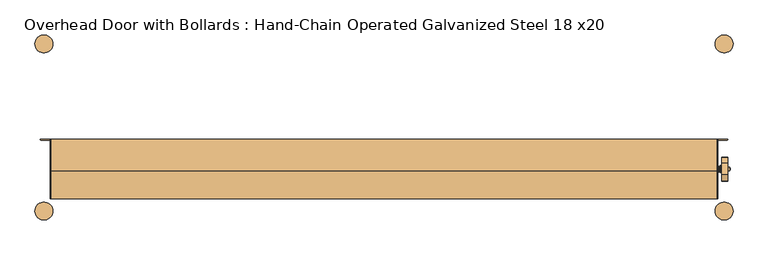
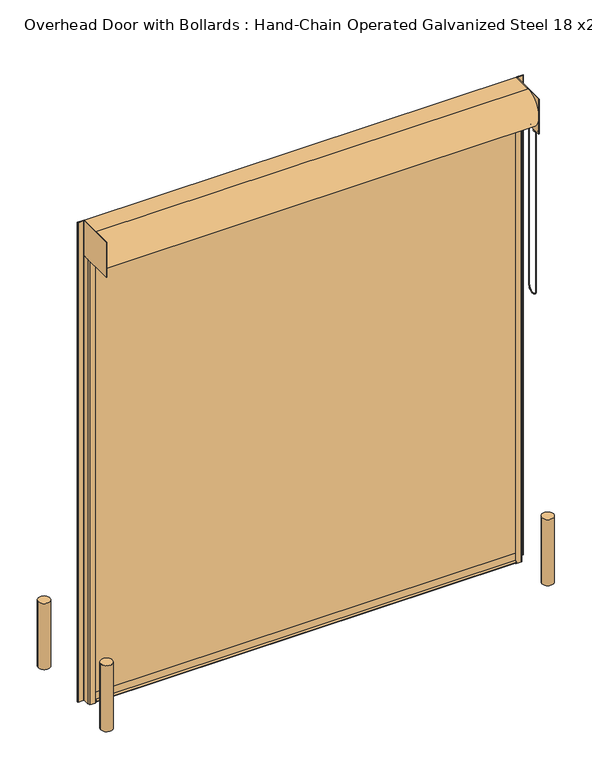
"""IFC4 building model written with IfcOpenShell, lengths in millimetres: door geometry, Overhead Door with Bollards : Hand-Chain Operated Galvanized Steel 18 x20."""

import ifcopenshell
import ifcopenshell.guid

model = None  # the IFC model being written
_history = None  # IfcOwnerHistory: only IFC2X3 demands one
_inside = {}  # id of a spatial element -> (the spatial element, [elements in it])
_under = {}  # id of a project, library or spatial element -> (it, [spatial elements below it])
_declared = {}  # id of a project -> (the project, [libraries it declares])
_typed = {}  # id of a type object -> (the type object, [elements of that type])
_made_of = {}  # id of a material, layer set ... -> (it, [elements and type objects made of it])


def new_model(schema):
    """Start an empty IFC model of exactly this schema.

    Asked for "IFC4X3", IfcOpenShell would pick the latest addendum, in which some entities
    have other attributes; the version numbers below select the first issue.
    IFC2X3 requires an IfcOwnerHistory on every rooted entity: one is made here for all.
    """
    global model, _history
    if schema == "IFC4X3":
        model = ifcopenshell.file(schema_version=(4, 3, 0, 0))
    else:
        model = ifcopenshell.file(schema=schema)
    _inside.clear()
    _under.clear()
    _declared.clear()
    _typed.clear()
    _made_of.clear()
    _history = None
    if model.schema == "IFC2X3":
        org = make("IfcOrganization", Name="unknown")
        user = make(
            "IfcPersonAndOrganization",
            ThePerson=make("IfcPerson", FamilyName="unknown"),
            TheOrganization=org,
        )
        app = make(
            "IfcApplication",
            ApplicationDeveloper=org,
            Version="unknown",
            ApplicationFullName="unknown",
            ApplicationIdentifier="unknown",
        )
        _history = make(
            "IfcOwnerHistory",
            OwningUser=user,
            OwningApplication=app,
            ChangeAction="ADDED",
            CreationDate=0,
        )
    return model


def make(cls, **values):
    """One entity of the class cls with the attributes given. An attribute that is None is left unset."""
    return model.create_entity(
        cls, **{name: value for name, value in values.items() if value is not None}
    )


def rooted(cls, **values):
    """An entity with a GlobalId (a new one), such as an element, a storey or a relation."""
    return make(cls, GlobalId=ifcopenshell.guid.new(), OwnerHistory=_history, **values)


def si_unit(unit_type, name, prefix=None):
    """IfcSIUnit, for example si_unit("LENGTHUNIT", "METRE", prefix="MILLI")."""
    return make("IfcSIUnit", UnitType=unit_type, Prefix=prefix, Name=name)


def assignment(units):
    """IfcUnitAssignment: the units of a project."""
    return None if units is None else make("IfcUnitAssignment", Units=units)


def point(xyz):
    """IfcCartesianPoint."""
    return None if xyz is None else make("IfcCartesianPoint", Coordinates=xyz)


def direction(xyz):
    """IfcDirection."""
    return None if xyz is None else make("IfcDirection", DirectionRatios=xyz)


def frame(location, z_axis=None, x_axis=None):
    """IfcAxis2Placement3D, a coordinate frame: its origin and axes. An axis left out is left unset."""
    return make(
        "IfcAxis2Placement3D",
        Location=point(location),
        Axis=direction(z_axis),
        RefDirection=direction(x_axis),
    )


def frame_2d(location, x_axis=None):
    """IfcAxis2Placement2D, a coordinate frame in the plane: its origin and x axis."""
    return make(
        "IfcAxis2Placement2D", Location=point(location), RefDirection=direction(x_axis)
    )


def origin():
    """The frame at (0, 0, 0) with its axes left unset."""
    return frame((0.0, 0.0, 0.0))


def origin_with_axes():
    """The frame at (0, 0, 0) with the z axis (0, 0, 1) and the x axis (1, 0, 0) written out."""
    return frame((0.0, 0.0, 0.0), z_axis=(0.0, 0.0, 1.0), x_axis=(1.0, 0.0, 0.0))


def place(relative_to, where):
    """IfcLocalPlacement: puts the frame where relative to a parent placement (None: the world)."""
    return make(
        "IfcLocalPlacement", PlacementRelTo=relative_to, RelativePlacement=where
    )


def context(
    kind, dimensions, precision=None, world=None, true_north=None, identifier=None
):
    """IfcGeometricRepresentationContext, for example the 3D "Model" context."""
    return make(
        "IfcGeometricRepresentationContext",
        ContextIdentifier=identifier,
        ContextType=kind,
        CoordinateSpaceDimension=dimensions,
        Precision=precision,
        WorldCoordinateSystem=world,
        TrueNorth=true_north,
    )


def project(units=None, contexts=None):
    """IfcProject with its units and contexts."""
    return rooted(
        "IfcProject",
        Name="project",
        RepresentationContexts=contexts,
        UnitsInContext=assignment(units),
    )


def spatial(cls, under=None, at=None, **own):
    """A site, building, storey or space (cls), placed at a placement, below another one or the project."""
    s = rooted(cls, ObjectPlacement=at, **own)
    if under is not None:
        _under.setdefault(under.id(), (under, []))[1].append(s)
    return s


def polyline(points):
    """IfcPolyline through the points."""
    return make("IfcPolyline", Points=[point(p) for p in points])


def circle_curve(where, radius):
    """IfcCircle in the frame where."""
    return make("IfcCircle", Position=where, Radius=radius)


def ellipse_curve(where, semi_axis1, semi_axis2):
    """IfcEllipse in the frame where."""
    return make(
        "IfcEllipse", Position=where, SemiAxis1=semi_axis1, SemiAxis2=semi_axis2
    )


def trimmed(basis, trim1, trim2, sense, master):
    """IfcTrimmedCurve: the piece of a basis curve between two trims."""
    return make(
        "IfcTrimmedCurve",
        BasisCurve=basis,
        Trim1=trim1,
        Trim2=trim2,
        SenseAgreement=sense,
        MasterRepresentation=master,
    )


def segment(curve, same_sense, transition):
    """IfcCompositeCurveSegment."""
    return make(
        "IfcCompositeCurveSegment",
        Transition=transition,
        SameSense=same_sense,
        ParentCurve=curve,
    )


def composite_curve(segments, self_intersect=None):
    """IfcCompositeCurve: segments joined end to end."""
    return make("IfcCompositeCurve", Segments=segments, SelfIntersect=self_intersect)


def outline(outer, holes=None, kind="AREA"):
    """IfcArbitraryClosedProfileDef: a profile drawn as a closed curve; with holes, ...WithVoids."""
    if holes is None:
        return make("IfcArbitraryClosedProfileDef", ProfileType=kind, OuterCurve=outer)
    return make(
        "IfcArbitraryProfileDefWithVoids",
        ProfileType=kind,
        OuterCurve=outer,
        InnerCurves=holes,
    )


def extrude(swept, where, along, depth):
    """IfcExtrudedAreaSolid: the profile swept, set in the frame where, extruded along a direction by depth."""
    return make(
        "IfcExtrudedAreaSolid",
        SweptArea=swept,
        Position=where,
        ExtrudedDirection=direction(along),
        Depth=depth,
    )


def shape(context_of_items, identifier, shape_type, items):
    """IfcShapeRepresentation: the items that make up one representation, for example the "Body"."""
    return make(
        "IfcShapeRepresentation",
        ContextOfItems=context_of_items,
        RepresentationIdentifier=identifier,
        RepresentationType=shape_type,
        Items=items,
    )


def source(mapping_origin, context_of_items, identifier, shape_type, items):
    """IfcRepresentationMap: a shape defined once, which mapped items show again and again."""
    return make(
        "IfcRepresentationMap",
        MappingOrigin=mapping_origin,
        MappedRepresentation=shape(context_of_items, identifier, shape_type, items),
    )


def transform(
    local_origin,
    x_axis=None,
    y_axis=None,
    z_axis=None,
    scale=None,
    scale2=None,
    scale3=None,
    uniform=True,
):
    """IfcCartesianTransformationOperator3D, or its non-uniform kind. x_axis, y_axis, z_axis: its Axis1, 2, 3."""
    if uniform:
        return make(
            "IfcCartesianTransformationOperator3D",
            Axis1=direction(x_axis),
            Axis2=direction(y_axis),
            LocalOrigin=point(local_origin),
            Scale=scale,
            Axis3=direction(z_axis),
        )
    return make(
        "IfcCartesianTransformationOperator3DnonUniform",
        Axis1=direction(x_axis),
        Axis2=direction(y_axis),
        LocalOrigin=point(local_origin),
        Scale=scale,
        Axis3=direction(z_axis),
        Scale2=scale2,
        Scale3=scale3,
    )


def mapped(mapping_source, mapping_target):
    """IfcMappedItem: shows the shape of a source again, moved by a transform."""
    return make(
        "IfcMappedItem", MappingSource=mapping_source, MappingTarget=mapping_target
    )


def made_of(thing, what):
    """Note that an element or type object is made of a material, layer set ...; save() writes the relation."""
    if what is not None:
        _made_of.setdefault(what.id(), (what, []))[1].append(thing)
    return thing


def element(
    cls,
    number,
    at=None,
    inside=None,
    cuts=None,
    type_object=None,
    material=None,
    context=None,
    identifier="Body",
    shape_type=None,
    held_by="IfcProductDefinitionShape",
    body=None,
    shapes=None,
    **own,
):
    """One element of the class cls, such as IfcWall. Its Tag is "e" and its number.

    at: its placement. inside: the storey or other place that contains it. cuts: it is an
    opening in that element (IfcRelVoidsElement). A single representation is given by context,
    identifier, shape_type and body (its items); several are given by shapes. held_by: the class
    of the entity that holds the representations. save() writes the other relations.
    """
    e = rooted(cls, Tag="e%d" % number, ObjectPlacement=at, **own)
    if body is not None:
        shapes = [shape(context, identifier, shape_type, body)]
    if shapes is not None:
        e.Representation = make(held_by, Representations=shapes)
    if inside is not None:
        _inside.setdefault(inside.id(), (inside, []))[1].append(e)
    if cuts is not None:
        rooted(
            "IfcRelVoidsElement", RelatingBuildingElement=cuts, RelatedOpeningElement=e
        )
    if type_object is not None:
        _typed.setdefault(type_object.id(), (type_object, []))[1].append(e)
    return made_of(e, material)


def aggregate(whole, parts):
    """IfcRelAggregates: a whole, such as a stair, and the parts it consists of."""
    return rooted("IfcRelAggregates", RelatingObject=whole, RelatedObjects=parts)


def save(model, path):
    """Write the relations noted so far, then the file.

    IfcRelAggregates (storeys below a building ...), IfcRelContainedInSpatialStructure (elements
    in a storey), IfcRelDefinesByType, IfcRelAssociatesMaterial and IfcRelDeclares: one each for
    every whole, place, type object, material and project.
    """
    for whole, parts in _under.values():
        aggregate(whole, parts)
    for where, things in _inside.values():
        rooted(
            "IfcRelContainedInSpatialStructure",
            RelatedElements=things,
            RelatingStructure=where,
        )
    for kind, things in _typed.values():
        rooted("IfcRelDefinesByType", RelatedObjects=things, RelatingType=kind)
    for what, things in _made_of.values():
        rooted("IfcRelAssociatesMaterial", RelatedObjects=things, RelatingMaterial=what)
    for by, libraries in _declared.values():
        rooted("IfcRelDeclares", RelatingContext=by, RelatedDefinitions=libraries)
    model.write(path)


def plane_surface(at):
    """IfcPlane: the flat surface through the origin of the frame at, square to its z axis."""
    return make("IfcPlane", Position=at)


def cylinder_surface(at, radius):
    """IfcCylindricalSurface: all points at the distance radius from the z axis of the frame at."""
    return make("IfcCylindricalSurface", Position=at, Radius=radius)


def revolved_surface(curve, axis_point, axis_direction):
    """IfcSurfaceOfRevolution: the curve turned about the line through axis_point along axis_direction."""
    return make(
        "IfcSurfaceOfRevolution",
        SweptCurve=make("IfcArbitraryOpenProfileDef", ProfileType="CURVE", Curve=curve),
        AxisPosition=make("IfcAxis1Placement", Location=point(axis_point), Axis=direction(axis_direction)),
    )


def advanced_brep(points, edges, surfaces, faces):
    """IfcAdvancedBrep: a solid bounded by faces that lie on surfaces and meet in shared edges.

    An edge is (start, end): straight between two places in points (the first is 0);
    or (start, end, curve); or (start, end, curve, False) where it runs against its curve.
    A face is (place in surfaces, loops), or (place, loops, False) where it looks against
    its surface's normal. A loop lists edges by number (the first is 1), with a minus sign
    where the edge is run from its end to its start. The first loop is the outer one.
    """
    corners = [point(p) for p in points]
    vertices = [make("IfcVertexPoint", VertexGeometry=c) for c in corners]
    made = []
    for start, end, *more in edges:
        made.append(
            make(
                "IfcEdgeCurve",
                EdgeStart=vertices[start],
                EdgeEnd=vertices[end],
                EdgeGeometry=more[0] if more else make("IfcPolyline", Points=[corners[start], corners[end]]),
                SameSense=more[1] if len(more) > 1 else True,
            )
        )
    hull = []
    for where, loops, *sense in faces:
        bounds = []
        for j, loop in enumerate(loops):
            ring = [make("IfcOrientedEdge", EdgeElement=made[abs(k) - 1], Orientation=k > 0) for k in loop]
            bounds.append(
                make(
                    "IfcFaceOuterBound" if j == 0 else "IfcFaceBound",
                    Bound=make("IfcEdgeLoop", EdgeList=ring),
                    Orientation=True,
                )
            )
        hull.append(make("IfcAdvancedFace", Bounds=bounds, FaceSurface=surfaces[where], SameSense=sense[0] if sense else True))
    return make("IfcAdvancedBrep", Outer=make("IfcClosedShell", CfsFaces=hull))


def overhead_door_with_bollards_hand_chain_operated_galvanized_9ecf1b39(model_context):
    return source(origin(), model_context, "Body", "SolidModel", [
        extrude(outline(composite_curve([segment(trimmed(circle_curve(frame_2d((-1981.2, -711.2)), 76.2), [point((-2057.4, -711.2))], [point((-1905.0, -711.2))], False, "CARTESIAN"), True, "CONTINUOUS"), segment(trimmed(circle_curve(frame_2d((-1981.2, -711.2)), 76.2), [point((-1905.0, -711.2))], [point((-2057.4, -711.2))], False, "CARTESIAN"), True, "CONTINUOUS")], self_intersect=False)), origin_with_axes(), (0.0, 0.0, 1.0), 914.4),
        extrude(outline(composite_curve([segment(trimmed(circle_curve(frame_2d((3810.0, -711.2)), 76.2), [point((3733.8, -711.2))], [point((3886.2, -711.2))], False, "CARTESIAN"), True, "CONTINUOUS"), segment(trimmed(circle_curve(frame_2d((3810.0, -711.2)), 76.2), [point((3886.2, -711.2))], [point((3733.8, -711.2))], False, "CARTESIAN"), True, "CONTINUOUS")], self_intersect=False)), origin_with_axes(), (0.0, 0.0, 1.0), 914.4),
        extrude(outline(composite_curve([segment(trimmed(circle_curve(frame_2d((3810.0, 711.2)), 76.2), [point((3886.2, 711.2))], [point((3733.8, 711.2))], False, "CARTESIAN"), True, "CONTINUOUS"), segment(trimmed(circle_curve(frame_2d((3810.0, 711.2)), 76.2), [point((3733.8, 711.2))], [point((3886.2, 711.2))], False, "CARTESIAN"), True, "CONTINUOUS")], self_intersect=False)), origin_with_axes(), (0.0, 0.0, 1.0), 914.4),
        extrude(outline(composite_curve([segment(trimmed(circle_curve(frame_2d((-1981.2, 711.2)), 76.2), [point((-2057.4, 711.2))], [point((-1905.0, 711.2))], False, "CARTESIAN"), True, "CONTINUOUS"), segment(trimmed(circle_curve(frame_2d((-1981.2, 711.2)), 76.2), [point((-1905.0, 711.2))], [point((-2057.4, 711.2))], False, "CARTESIAN"), True, "CONTINUOUS")], self_intersect=False)), origin_with_axes(), (0.0, 0.0, 1.0), 914.4),
        extrude(outline(polyline([(-1928.8252, -609.6), (-1928.8252, -101.6), (-1922.4752, -101.6), (-1922.4752, -609.6), (-1928.8252, -609.6)])), frame((0.0, 0.0, 6172.2), z_axis=(0.0, 0.0, 1.0), x_axis=(1.0, 0.0, 0.0)), (0.0, 0.0, 1.0), 482.6),
        advanced_brep(
        [(3841.8309604, -405.1483399, 6281.6469387), (3841.8309604, -452.4375, 6158.4544649), (3841.8309604, -452.4375, 6103.6877303), (3841.8309604, -456.5066884, 6093.7069784), (3841.8309604, -454.7997, 6089.65), (3841.8309604, -415.1249, 6089.65), (3841.8309604, -413.4179116, 6093.7069784), (3841.8309604, -417.4871, 6103.6877303), (3841.8309604, -417.4871, 6108.7), (3841.8309604, -404.7871, 6121.4), (3841.8309604, -395.6352267, 6121.4), (3841.8309604, -315.5647733, 6121.4), (3841.8309604, -306.4129, 6121.4), (3841.8309604, -293.9479873, 6106.267727), (3841.8309604, -297.7820884, 6093.7069784), (3841.8309604, -296.0751, 6089.65), (3841.8309604, -256.4003, 6089.65), (3841.8309604, -254.6933116, 6093.7069784), (3841.8309604, -258.7625, 6103.6877303), (3841.8309604, -258.7625, 6156.6891105), (3841.8309604, -259.3951464, 6160.1025652), (3841.8309604, -306.0516601, 6281.6469387), (3841.8309604, -339.725, 6200.775), (3841.8309604, -371.475, 6200.775), (3791.0309604, -405.1483399, 6281.6469387), (3791.0309604, -306.0516601, 6281.6469387), (3791.0309604, -259.3951464, 6160.1025652), (3791.0309604, -258.7625, 6156.6891105), (3791.0309604, -258.7625, 6103.6877303), (3791.0309604, -254.6933116, 6093.7069784), (3791.0309604, -256.4003, 6089.65), (3791.0309604, -296.0751, 6089.65), (3791.0309604, -297.7820884, 6093.7069784), (3791.0309604, -293.9479873, 6106.267727), (3791.0309604, -306.4129, 6121.4), (3791.0309604, -315.5647733, 6121.4), (3791.0309604, -395.6352267, 6121.4), (3791.0309604, -404.7871, 6121.4), (3791.0309604, -417.4871, 6108.7), (3791.0309604, -417.4871, 6103.6877303), (3791.0309604, -413.4179116, 6093.7069784), (3791.0309604, -415.1249, 6089.65), (3791.0309604, -454.7997, 6089.65), (3791.0309604, -456.5066884, 6093.7069784), (3791.0309604, -452.4375, 6103.6877303), (3791.0309604, -452.4375, 6158.4544649), (3791.0309604, -355.6, 6220.3965), (3791.0309604, -355.6, 6182.2965), (3856.1184604, -371.475, 6200.775), (3856.1184604, -339.725, 6200.775), (3856.1184604, -355.6, 6191.8215), (3856.1184604, -355.6, 6210.8715), (3862.3875, -355.6, 6194.9965), (3862.3875, -355.6, 6207.6965), (3859.2125, -355.6, 6210.8715), (3859.2125, -355.6, 6191.8215), (3862.3875, -355.6, 6201.3465), (3757.6125, -355.6, 6175.9465), (3757.6125, -355.6, 6226.7465), (3757.6125, -355.6, 6201.3465), (3763.9625, -355.6, 6175.9465), (3763.9625, -355.6, 6226.7465), (3763.9625, -355.6, 6179.9089), (3763.9625, -355.6, 6222.7841), (3774.0971, -355.6, 6179.9089), (3774.0971, -355.6, 6222.7841), (3774.0971, -355.6, 6176.06715), (3774.0971, -355.6, 6226.62585), (3775.6846, -355.6, 6169.71715), (3775.6846, -355.6, 6232.97585), (3778.25, -355.6, 6169.71715), (3778.25, -355.6, 6232.97585), (3779.8375, -355.6, 6176.06715), (3779.8375, -355.6, 6226.62585), (3779.8375, -355.6, 6182.2965), (3779.8375, -355.6, 6220.3965)],
        [
            (0, 1),
            (1, 2),
            (2, 3, circle_curve(frame((3841.8309604, -466.7123, 6103.6877303), z_axis=(-1.0, 0.0, 0.0), x_axis=(0.0, 1.0, 0.0)), 14.2748)),
            (3, 4, circle_curve(frame((3841.8309604, -454.7997, 6092.0376), z_axis=(1.0, 0.0, 0.0), x_axis=(0.0, 1.0, 0.0)), 2.3876)),
            (4, 5),
            (5, 6, circle_curve(frame((3841.8309604, -415.1249, 6092.0376), z_axis=(1.0, 0.0, 0.0), x_axis=(0.0, 1.0, 0.0)), 2.3876)),
            (6, 7, circle_curve(frame((3841.8309604, -403.2123, 6103.6877303), z_axis=(-1.0, 0.0, 0.0), x_axis=(0.0, 1.0, 0.0)), 14.2748)),
            (7, 8),
            (8, 9, circle_curve(frame((3841.8309604, -404.7871, 6108.7), z_axis=(-1.0, 0.0, 0.0), x_axis=(0.0, 1.0, 0.0)), 12.7)),
            (9, 10),
            (10, 11, circle_curve(frame((3841.8309604, -355.6, 6200.775), z_axis=(1.0, 0.0, 0.0), x_axis=(0.0, 1.0, 0.0)), 88.9)),
            (11, 12),
            (12, 13, circle_curve(frame((3841.8309604, -306.4129, 6108.7), z_axis=(-1.0, 0.0, 0.0), x_axis=(0.0, 1.0, 0.0)), 12.7)),
            (13, 14, circle_curve(frame((3841.8309604, -307.9877, 6103.6877303), z_axis=(-1.0, 0.0, 0.0), x_axis=(0.0, 1.0, 0.0)), 14.2748)),
            (14, 15, circle_curve(frame((3841.8309604, -296.0751, 6092.0376), z_axis=(1.0, 0.0, 0.0), x_axis=(0.0, 1.0, 0.0)), 2.3876)),
            (15, 16),
            (16, 17, circle_curve(frame((3841.8309604, -256.4003, 6092.0376), z_axis=(1.0, 0.0, 0.0), x_axis=(0.0, 1.0, 0.0)), 2.3876)),
            (17, 18, circle_curve(frame((3841.8309604, -244.4877, 6103.6877303), z_axis=(-1.0, 0.0, 0.0), x_axis=(0.0, 1.0, 0.0)), 14.2748)),
            (18, 19),
            (19, 20, circle_curve(frame((3841.8309604, -268.2875, 6156.6891105), z_axis=(1.0, 0.0, 0.0), x_axis=(0.0, 1.0, 0.0)), 9.525)),
            (20, 21),
            (21, 0, circle_curve(frame((3841.8309604, -355.6, 6200.775), z_axis=(1.0, 0.0, 0.0), x_axis=(0.0, 1.0, 0.0)), 94.8436)),
            (22, 23, circle_curve(frame((3841.8309604, -355.6, 6200.775), z_axis=(-1.0, 0.0, 0.0), x_axis=(0.0, 1.0, 0.0)), 15.875)),
            (23, 22, circle_curve(frame((3841.8309604, -355.6, 6200.775), z_axis=(-1.0, 0.0, 0.0), x_axis=(0.0, 1.0, 0.0)), 15.875)),
            (24, 25, circle_curve(frame((3791.0309604, -355.6, 6200.775), z_axis=(-1.0, 0.0, 0.0), x_axis=(0.0, 1.0, 0.0)), 94.8436)),
            (25, 26),
            (26, 27, circle_curve(frame((3791.0309604, -268.2875, 6156.6891105), z_axis=(-1.0, 0.0, 0.0), x_axis=(0.0, 1.0, 0.0)), 9.525)),
            (27, 28),
            (28, 29, circle_curve(frame((3791.0309604, -244.4877, 6103.6877303), z_axis=(1.0, 0.0, 0.0), x_axis=(0.0, 1.0, 0.0)), 14.2748)),
            (29, 30, circle_curve(frame((3791.0309604, -256.4003, 6092.0376), z_axis=(-1.0, 0.0, 0.0), x_axis=(0.0, 1.0, 0.0)), 2.3876)),
            (30, 31),
            (31, 32, circle_curve(frame((3791.0309604, -296.0751, 6092.0376), z_axis=(-1.0, 0.0, 0.0), x_axis=(0.0, 1.0, 0.0)), 2.3876)),
            (32, 33, circle_curve(frame((3791.0309604, -307.9877, 6103.6877303), z_axis=(1.0, 0.0, 0.0), x_axis=(0.0, 1.0, 0.0)), 14.2748)),
            (33, 34, circle_curve(frame((3791.0309604, -306.4129, 6108.7), z_axis=(1.0, 0.0, 0.0), x_axis=(0.0, 1.0, 0.0)), 12.7)),
            (34, 35),
            (35, 36, circle_curve(frame((3791.0309604, -355.6, 6200.775), z_axis=(-1.0, 0.0, 0.0), x_axis=(0.0, 1.0, 0.0)), 88.9)),
            (36, 37),
            (37, 38, circle_curve(frame((3791.0309604, -404.7871, 6108.7), z_axis=(1.0, 0.0, 0.0), x_axis=(0.0, 1.0, 0.0)), 12.7)),
            (38, 39),
            (39, 40, circle_curve(frame((3791.0309604, -403.2123, 6103.6877303), z_axis=(1.0, 0.0, 0.0), x_axis=(0.0, 1.0, 0.0)), 14.2748)),
            (40, 41, circle_curve(frame((3791.0309604, -415.1249, 6092.0376), z_axis=(-1.0, 0.0, 0.0), x_axis=(0.0, 1.0, 0.0)), 2.3876)),
            (41, 42),
            (42, 43, circle_curve(frame((3791.0309604, -454.7997, 6092.0376), z_axis=(-1.0, 0.0, 0.0), x_axis=(0.0, 1.0, 0.0)), 2.3876)),
            (43, 44, circle_curve(frame((3791.0309604, -466.7123, 6103.6877303), z_axis=(1.0, 0.0, 0.0), x_axis=(0.0, 1.0, 0.0)), 14.2748)),
            (44, 45),
            (45, 24),
            (46, 47, circle_curve(frame((3791.0309604, -355.6, 6201.3465), z_axis=(1.0, 0.0, 0.0), x_axis=(0.0, 0.0, 1.0)), 19.05)),
            (47, 46, circle_curve(frame((3791.0309604, -355.6, 6201.3465), z_axis=(1.0, 0.0, 0.0), x_axis=(0.0, 0.0, 1.0)), 19.05)),
            (0, 24),
            (45, 1),
            (44, 2),
            (43, 3),
            (42, 4),
            (41, 5),
            (40, 6),
            (39, 7),
            (38, 8),
            (37, 9),
            (36, 10),
            (35, 11),
            (34, 12),
            (33, 13),
            (32, 14),
            (31, 15),
            (30, 16),
            (29, 17),
            (28, 18),
            (27, 19),
            (26, 20),
            (25, 21),
            (48, 49, circle_curve(frame((3856.1184604, -355.6, 6200.775), z_axis=(1.0, 0.0, 0.0), x_axis=(0.0, 1.0, 0.0)), 15.875)),
            (49, 48, circle_curve(frame((3856.1184604, -355.6, 6200.775), z_axis=(1.0, 0.0, 0.0), x_axis=(0.0, 1.0, 0.0)), 15.875)),
            (50, 51, circle_curve(frame((3856.1184604, -355.6, 6201.3465), z_axis=(-1.0, 0.0, 0.0), x_axis=(0.0, 0.0, 1.0)), 9.525)),
            (51, 50, circle_curve(frame((3856.1184604, -355.6, 6201.3465), z_axis=(-1.0, 0.0, 0.0), x_axis=(0.0, 0.0, 1.0)), 9.525)),
            (48, 23),
            (22, 49),
            (52, 53, circle_curve(frame((3862.3875, -355.6, 6201.3465), z_axis=(-1.0, 0.0, 0.0), x_axis=(0.0, 0.0, 1.0)), 6.35)),
            (53, 54),
            (54, 55, circle_curve(frame((3859.2125, -355.6, 6201.3465), z_axis=(1.0, 0.0, 0.0), x_axis=(0.0, 0.0, 1.0)), 9.525)),
            (55, 52),
            (53, 52, circle_curve(frame((3862.3875, -355.6, 6201.3465), z_axis=(-1.0, 0.0, 0.0), x_axis=(0.0, 0.0, 1.0)), 6.35)),
            (55, 54, circle_curve(frame((3859.2125, -355.6, 6201.3465), z_axis=(1.0, 0.0, 0.0), x_axis=(0.0, 0.0, 1.0)), 9.525)),
            (52, 56),
            (56, 53),
            (54, 51),
            (50, 55),
            (57, 58, circle_curve(frame((3757.6125, -355.6, 6201.3465), z_axis=(-1.0, 0.0, 0.0), x_axis=(0.0, 0.0, 1.0)), 25.4)),
            (58, 59),
            (59, 57),
            (58, 57, circle_curve(frame((3757.6125, -355.6, 6201.3465), z_axis=(-1.0, 0.0, 0.0), x_axis=(0.0, 0.0, 1.0)), 25.4)),
            (57, 60),
            (60, 61, circle_curve(frame((3763.9625, -355.6, 6201.3465), z_axis=(-1.0, 0.0, 0.0), x_axis=(0.0, 0.0, 1.0)), 25.4)),
            (61, 58),
            (61, 60, circle_curve(frame((3763.9625, -355.6, 6201.3465), z_axis=(-1.0, 0.0, 0.0), x_axis=(0.0, 0.0, 1.0)), 25.4)),
            (60, 62),
            (62, 63, circle_curve(frame((3763.9625, -355.6, 6201.3465), z_axis=(-1.0, 0.0, 0.0), x_axis=(0.0, 0.0, 1.0)), 21.4376)),
            (63, 61),
            (63, 62, circle_curve(frame((3763.9625, -355.6, 6201.3465), z_axis=(-1.0, 0.0, 0.0), x_axis=(0.0, 0.0, 1.0)), 21.4376)),
            (62, 64),
            (64, 65, circle_curve(frame((3774.0971, -355.6, 6201.3465), z_axis=(-1.0, 0.0, 0.0), x_axis=(0.0, 0.0, 1.0)), 21.4376)),
            (65, 63),
            (65, 64, circle_curve(frame((3774.0971, -355.6, 6201.3465), z_axis=(-1.0, 0.0, 0.0), x_axis=(0.0, 0.0, 1.0)), 21.4376)),
            (64, 66),
            (66, 67, circle_curve(frame((3774.0971, -355.6, 6201.3465), z_axis=(-1.0, 0.0, 0.0), x_axis=(0.0, 0.0, 1.0)), 25.27935)),
            (67, 65),
            (67, 66, circle_curve(frame((3774.0971, -355.6, 6201.3465), z_axis=(-1.0, 0.0, 0.0), x_axis=(0.0, 0.0, 1.0)), 25.27935)),
            (66, 68),
            (68, 69, circle_curve(frame((3775.6846, -355.6, 6201.3465), z_axis=(-1.0, 0.0, 0.0), x_axis=(0.0, 0.0, 1.0)), 31.62935)),
            (69, 67),
            (69, 68, circle_curve(frame((3775.6846, -355.6, 6201.3465), z_axis=(-1.0, 0.0, 0.0), x_axis=(0.0, 0.0, 1.0)), 31.62935)),
            (68, 70),
            (70, 71, circle_curve(frame((3778.25, -355.6, 6201.3465), z_axis=(-1.0, 0.0, 0.0), x_axis=(0.0, 0.0, 1.0)), 31.62935)),
            (71, 69),
            (71, 70, circle_curve(frame((3778.25, -355.6, 6201.3465), z_axis=(-1.0, 0.0, 0.0), x_axis=(0.0, 0.0, 1.0)), 31.62935)),
            (70, 72),
            (72, 73, circle_curve(frame((3779.8375, -355.6, 6201.3465), z_axis=(-1.0, 0.0, 0.0), x_axis=(0.0, 0.0, 1.0)), 25.27935)),
            (73, 71),
            (73, 72, circle_curve(frame((3779.8375, -355.6, 6201.3465), z_axis=(-1.0, 0.0, 0.0), x_axis=(0.0, 0.0, 1.0)), 25.27935)),
            (72, 74),
            (74, 75, circle_curve(frame((3779.8375, -355.6, 6201.3465), z_axis=(-1.0, 0.0, 0.0), x_axis=(0.0, 0.0, 1.0)), 19.05)),
            (75, 73),
            (75, 74, circle_curve(frame((3779.8375, -355.6, 6201.3465), z_axis=(-1.0, 0.0, 0.0), x_axis=(0.0, 0.0, 1.0)), 19.05)),
            (74, 47),
            (46, 75),
        ],
        [
            plane_surface(frame((3841.8309604, -405.3174554, 6281.2063779), z_axis=(1.0, 0.0, 0.0), x_axis=(0.0, -0.3583679495453003, -0.9335804264972017))),
            plane_surface(frame((3791.0309604, -405.3174554, 6281.2063779), z_axis=(-1.0, 0.0, 0.0), x_axis=(0.0, 0.3583679495453003, 0.9335804264972017))),
            plane_surface(frame((3841.8309604, -405.1483399, 6281.6469387), z_axis=(0.0, -0.9335804264972017, 0.3583679495453003), x_axis=(-1.0, 0.0, 0.0))),
            plane_surface(frame((3841.8309604, -452.4375, 6158.4544649), z_axis=(0.0, -1.0, 0.0), x_axis=(-1.0, 0.0, 0.0))),
            revolved_surface(polyline([(3791.0309604, -452.4375, 6103.6877303), (3841.8309604, -452.4375, 6103.6877303)]), (3791.0309604, -466.7123, 6103.6877303), (-1.0, 0.0, 0.0)),
            cylinder_surface(frame((3791.0309604, -454.7997, 6092.0376), z_axis=(1.0, 0.0, 0.0), x_axis=(0.0, 1.0, 0.0)), 2.3876),
            plane_surface(frame((3841.8309604, -454.7997, 6089.65), z_axis=(0.0, 0.0, -1.0), x_axis=(-1.0, 0.0, 0.0))),
            cylinder_surface(frame((3791.0309604, -415.1249, 6092.0376), z_axis=(1.0, 0.0, 0.0), x_axis=(0.0, 1.0, 0.0)), 2.3876),
            revolved_surface(polyline([(3791.0309604, -388.9375, 6103.6877303), (3841.8309604, -388.9375, 6103.6877303)]), (3791.0309604, -403.2123, 6103.6877303), (-1.0, 0.0, 0.0)),
            plane_surface(frame((3841.8309604, -417.4871, 6103.6877303), z_axis=(0.0, 1.0, 0.0), x_axis=(-1.0, 0.0, 0.0))),
            revolved_surface(polyline([(3791.0309604, -392.0871, 6108.7), (3841.8309604, -392.0871, 6108.7)]), (3791.0309604, -404.7871, 6108.7), (-1.0, 0.0, 0.0)),
            plane_surface(frame((3841.8309604, -404.7871, 6121.4), z_axis=(0.0, 0.0, -1.0), x_axis=(-1.0, 0.0, 0.0))),
            cylinder_surface(frame((3791.0309604, -355.6, 6200.775), z_axis=(1.0, 0.0, 0.0), x_axis=(0.0, 1.0, 0.0)), 88.9),
            plane_surface(frame((3841.8309604, -315.5647733, 6121.4), z_axis=(0.0, 0.0, -1.0), x_axis=(-1.0, 0.0, 0.0))),
            revolved_surface(polyline([(3791.0309604, -293.7129, 6108.7), (3841.8309604, -293.7129, 6108.7)]), (3791.0309604, -306.4129, 6108.7), (-1.0, 0.0, 0.0)),
            revolved_surface(polyline([(3791.0309604, -293.7129, 6103.6877303), (3841.8309604, -293.7129, 6103.6877303)]), (3791.0309604, -307.9877, 6103.6877303), (-1.0, 0.0, 0.0)),
            cylinder_surface(frame((3791.0309604, -296.0751, 6092.0376), z_axis=(1.0, 0.0, 0.0), x_axis=(0.0, 1.0, 0.0)), 2.3876),
            plane_surface(frame((3841.8309604, -296.0751, 6089.65), z_axis=(0.0, 0.0, -1.0), x_axis=(-1.0, 0.0, 0.0))),
            cylinder_surface(frame((3791.0309604, -256.4003, 6092.0376), z_axis=(1.0, 0.0, 0.0), x_axis=(0.0, 1.0, 0.0)), 2.3876),
            revolved_surface(polyline([(3791.0309604, -230.2129, 6103.6877303), (3841.8309604, -230.2129, 6103.6877303)]), (3791.0309604, -244.4877, 6103.6877303), (-1.0, 0.0, 0.0)),
            plane_surface(frame((3841.8309604, -258.7625, 6103.6877303), z_axis=(0.0, 1.0, 0.0), x_axis=(-1.0, 0.0, 0.0))),
            cylinder_surface(frame((3791.0309604, -268.2875, 6156.6891105), z_axis=(1.0, 0.0, 0.0), x_axis=(0.0, 1.0, 0.0)), 9.525),
            plane_surface(frame((3841.8309604, -259.3951464, 6160.1025652), z_axis=(0.0, 0.9335804264972019, 0.35836794954530005), x_axis=(-1.0, 0.0, 0.0))),
            cylinder_surface(frame((3791.0309604, -355.6, 6200.775), z_axis=(1.0, 0.0, 0.0), x_axis=(0.0, 1.0, 0.0)), 94.8436),
            plane_surface(frame((3856.1184604, -339.725, 6200.775), z_axis=(1.0, 0.0, 0.0), x_axis=(0.0, 0.0, 1.0))),
            cylinder_surface(frame((3825.9305604, -355.6, 6200.775), z_axis=(1.0, 0.0, 0.0), x_axis=(0.0, 1.0, 0.0)), 15.875),
            revolved_surface(polyline([(3859.2125, -355.6, 6210.8715), (3862.3875, -355.6, 6207.6965)]), (3791.0309604, -355.6, 6201.3465), (1.0, 0.0, 0.0)),
            plane_surface(frame((3862.3875, -355.6, 6201.3465), z_axis=(1.0, 0.0, 0.0), x_axis=(0.0, 0.0, 1.0))),
            cylinder_surface(frame((3791.0309604, -355.6, 6201.3465), z_axis=(1.0, 0.0, 0.0), x_axis=(0.0, 0.0, 1.0)), 9.525),
            plane_surface(frame((3757.6125, -355.6, 6201.3465), z_axis=(-1.0, 0.0, 0.0), x_axis=(0.0, 0.0, 1.0))),
            cylinder_surface(frame((3791.0309604, -355.6, 6201.3465), z_axis=(1.0, 0.0, 0.0), x_axis=(0.0, 0.0, 1.0)), 25.4),
            plane_surface(frame((3763.9625, -355.6, 6201.3465), z_axis=(1.0, 0.0, 0.0), x_axis=(0.0, 0.0, 1.0))),
            cylinder_surface(frame((3791.0309604, -355.6, 6201.3465), z_axis=(1.0, 0.0, 0.0), x_axis=(0.0, 0.0, 1.0)), 21.4376),
            plane_surface(frame((3774.0971, -355.6, 6201.3465), z_axis=(-1.0, 0.0, 0.0), x_axis=(0.0, 0.0, 1.0))),
            revolved_surface(polyline([(3774.0971, -355.6, 6226.62585), (3775.6846, -355.6, 6232.97585)]), (3791.0309604, -355.6, 6201.3465), (1.0, 0.0, 0.0)),
            cylinder_surface(frame((3791.0309604, -355.6, 6201.3465), z_axis=(1.0, 0.0, 0.0), x_axis=(0.0, 0.0, 1.0)), 31.62935),
            revolved_surface(polyline([(3778.25, -355.6, 6232.97585), (3779.8375, -355.6, 6226.62585)]), (3791.0309604, -355.6, 6201.3465), (1.0, 0.0, 0.0)),
            plane_surface(frame((3779.8375, -355.6, 6201.3465), z_axis=(1.0, 0.0, 0.0), x_axis=(0.0, 0.0, 1.0))),
            cylinder_surface(frame((3791.0309604, -355.6, 6201.3465), z_axis=(1.0, 0.0, 0.0), x_axis=(0.0, 0.0, 1.0)), 19.05),
        ],
        [
            (0, [[1, 2, 3, 4, 5, 6, 7, 8, 9, 10, 11, 12, 13, 14, 15, 16, 17, 18, 19, 20, 21, 22], [23, 24]]),
            (1, [[25, 26, 27, 28, 29, 30, 31, 32, 33, 34, 35, 36, 37, 38, 39, 40, 41, 42, 43, 44, 45, 46], [47, 48]]),
            (2, [[-1, 49, -46, 50]]),
            (3, [[-2, -50, -45, 51]]),
            (4, [[-3, -51, -44, 52]]),
            (5, [[-4, -52, -43, 53]]),
            (6, [[-5, -53, -42, 54]]),
            (7, [[-6, -54, -41, 55]]),
            (8, [[-7, -55, -40, 56]]),
            (9, [[-8, -56, -39, 57]]),
            (10, [[-9, -57, -38, 58]]),
            (11, [[-10, -58, -37, 59]]),
            (12, [[-11, -59, -36, 60]]),
            (13, [[-12, -60, -35, 61]]),
            (14, [[-13, -61, -34, 62]]),
            (15, [[-14, -62, -33, 63]]),
            (16, [[-15, -63, -32, 64]]),
            (17, [[-16, -64, -31, 65]]),
            (18, [[-17, -65, -30, 66]]),
            (19, [[-18, -66, -29, 67]]),
            (20, [[-19, -67, -28, 68]]),
            (21, [[-20, -68, -27, 69]]),
            (22, [[-21, -69, -26, 70]]),
            (23, [[-22, -70, -25, -49]]),
            (24, [[71, 72], [73, 74]]),
            (25, [[-71, 75, -23, 76]]),
            (25, [[-72, -76, -24, -75]]),
            (26, [[77, 78, 79, 80]]),
            (26, [[-78, 81, -80, 82]]),
            (27, [[-77, 83, 84]]),
            (27, [[-81, -84, -83]]),
            (28, [[-79, 85, -73, 86]]),
            (28, [[-82, -86, -74, -85]]),
            (29, [[87, 88, 89]]),
            (29, [[-88, 90, -89]]),
            (30, [[-87, 91, 92, 93]]),
            (30, [[-90, -93, 94, -91]]),
            (31, [[-92, 95, 96, 97]]),
            (31, [[-94, -97, 98, -95]]),
            (32, [[-96, 99, 100, 101]]),
            (32, [[-98, -101, 102, -99]]),
            (33, [[-100, 103, 104, 105]]),
            (33, [[-102, -105, 106, -103]]),
            (34, [[-104, 107, 108, 109]]),
            (34, [[-106, -109, 110, -107]]),
            (35, [[-108, 111, 112, 113]]),
            (35, [[-110, -113, 114, -111]]),
            (36, [[-112, 115, 116, 117]]),
            (36, [[-114, -117, 118, -115]]),
            (37, [[-116, 119, 120, 121]]),
            (37, [[-118, -121, 122, -119]]),
            (38, [[-120, 123, -47, 124]]),
            (38, [[-122, -124, -48, -123]]),
        ],
    ),
        advanced_brep(
        [(3820.1659087, -277.8125, 6172.2), (3812.5340913, -277.8125, 6172.2), (3820.1659087, -277.8125, 3873.5), (3812.5340913, -277.8125, 3873.5), (3812.5340913, -436.5625, 3873.5), (3820.1659087, -436.5625, 3873.5), (3820.1659087, -436.5625, 6172.2), (3812.5340913, -436.5625, 6172.2)],
        [
            (0, 1, circle_curve(frame((3816.35, -277.8125, 6172.2), z_axis=(0.0, 0.0, 1.0), x_axis=(-1.0, 0.0, 0.0)), 3.8159087)),
            (1, 0, circle_curve(frame((3816.35, -277.8125, 6172.2), z_axis=(0.0, 0.0, 1.0), x_axis=(-1.0, 0.0, 0.0)), 3.8159087)),
            (0, 2),
            (2, 3, circle_curve(frame((3816.35, -277.8125, 3873.5), z_axis=(0.0, 0.0, 1.0), x_axis=(-1.0, 0.0, 0.0)), 3.8159087)),
            (3, 1),
            (3, 2, circle_curve(frame((3816.35, -277.8125, 3873.5), z_axis=(0.0, 0.0, 1.0), x_axis=(-1.0, 0.0, 0.0)), 3.8159087)),
            (4, 3, circle_curve(frame((3812.5340913, -357.1875, 3873.5), z_axis=(1.0, 0.0, 0.0), x_axis=(0.0, 1.0, 0.0)), 79.375)),
            (2, 5, circle_curve(frame((3820.1659087, -357.1875, 3873.5), z_axis=(-1.0, 0.0, 0.0), x_axis=(0.0, 1.0, 0.0)), 79.375)),
            (5, 4, circle_curve(frame((3816.35, -436.5625, 3873.5), z_axis=(0.0, 0.0, -1.0), x_axis=(-1.0, 0.0, 0.0)), 3.8159087)),
            (4, 5, circle_curve(frame((3816.35, -436.5625, 3873.5), z_axis=(0.0, 0.0, -1.0), x_axis=(-1.0, 0.0, 0.0)), 3.8159087)),
            (6, 7, circle_curve(frame((3816.35, -436.5625, 6172.2), z_axis=(0.0, 0.0, 1.0), x_axis=(-1.0, 0.0, 0.0)), 3.8159087)),
            (7, 6, circle_curve(frame((3816.35, -436.5625, 6172.2), z_axis=(0.0, 0.0, 1.0), x_axis=(-1.0, 0.0, 0.0)), 3.8159087)),
            (5, 6),
            (7, 4),
        ],
        [
            plane_surface(frame((3816.35, -277.8125, 6172.2), z_axis=(0.0, 0.0, 1.0), x_axis=(-1.0, 0.0, 0.0))),
            cylinder_surface(frame((3816.35, -277.8125, 6172.2), z_axis=(0.0, 0.0, 1.0), x_axis=(-1.0, 0.0, 0.0)), 3.8159087),
            revolved_surface(trimmed(ellipse_curve(frame((3816.35, -277.8125, 3873.5), z_axis=(0.0, 0.0, 1.0), x_axis=(-1.0, 0.0, 0.0)), 3.8159087, 3.8159087), [point((3820.1659087, -277.8125, 3873.5))], [point((3812.5340913, -277.8125, 3873.5))], True, "CARTESIAN"), (3816.35, -357.1875, 3873.5), (-1.0, 0.0, 0.0)),
            revolved_surface(trimmed(ellipse_curve(frame((3816.35, -277.8125, 3873.5), z_axis=(0.0, 0.0, 1.0), x_axis=(-1.0, 0.0, 0.0)), 3.8159087, 3.8159087), [point((3812.5340913, -277.8125, 3873.5))], [point((3820.1659087, -277.8125, 3873.5))], True, "CARTESIAN"), (3816.35, -357.1875, 3873.5), (-1.0, 0.0, 0.0)),
            plane_surface(frame((3816.35, -436.5625, 6172.2), z_axis=(0.0, 0.0, 1.0), x_axis=(-1.0, 0.0, 0.0))),
            cylinder_surface(frame((3816.35, -436.5625, 3873.5), z_axis=(0.0, 0.0, -1.0), x_axis=(-1.0, 0.0, 0.0)), 3.8159087),
        ],
        [
            (0, [[1, 2]]),
            (1, [[-1, 3, 4, 5]]),
            (1, [[-2, -5, 6, -3]]),
            (2, [[7, -4, 8, 9]]),
            (3, [[-8, -6, -7, 10]]),
            (4, [[11, 12]]),
            (5, [[-9, 13, -12, 14]]),
            (5, [[-10, -14, -11, -13]]),
        ],
    ),
        extrude(outline(polyline([(3757.6125, -101.6), (3757.6125, -609.6), (3751.2625, -609.6), (3751.2625, -101.6), (3757.6125, -101.6)])), frame((0.0, 0.0, 6172.2), z_axis=(0.0, 0.0, 1.0), x_axis=(1.0, 0.0, 0.0)), (0.0, 0.0, 1.0), 482.6),
        advanced_brep(
        [(3757.6252, -187.325, 6172.2), (3757.6252, -111.125, 6172.2), (3757.6252, -101.6, 6172.2), (3751.2752, -101.6, 6172.2), (3751.2752, -190.5, 6172.2), (3754.4502, -190.5, 6172.2), (3751.2752, -101.6, 0.0), (3840.1752, -101.6, 0.0), (3840.1752, -104.775, 0.0), (3837.0002, -107.95, 0.0), (3760.8002, -107.95, 0.0), (3757.6252, -111.125, 0.0), (3757.6252, -187.325, 0.0), (3754.4502, -190.5, 0.0), (3751.2752, -190.5, 0.0), (3757.6252, -101.6, 6654.8), (3840.1752, -101.6, 6654.8), (3760.8002, -107.95, 6654.8), (3837.0002, -107.95, 6654.8), (3840.1752, -104.775, 6654.8), (3757.6252, -111.125, 6654.8)],
        [
            (0, 1),
            (1, 2),
            (2, 3),
            (3, 4),
            (4, 5),
            (5, 0, circle_curve(frame((3754.4502, -187.325, 6172.2), z_axis=(0.0, 0.0, 1.0), x_axis=(-1.0, 0.0, 0.0)), 3.175)),
            (6, 7),
            (7, 8),
            (8, 9, circle_curve(frame((3837.0002, -104.775, 0.0), z_axis=(0.0, 0.0, -1.0), x_axis=(-1.0, 0.0, 0.0)), 3.175)),
            (9, 10),
            (10, 11, circle_curve(frame((3760.8002, -111.125, 0.0), z_axis=(0.0, 0.0, 1.0), x_axis=(-1.0, 0.0, 0.0)), 3.175)),
            (11, 12),
            (12, 13, circle_curve(frame((3754.4502, -187.325, 0.0), z_axis=(0.0, 0.0, -1.0), x_axis=(-1.0, 0.0, 0.0)), 3.175)),
            (13, 14),
            (14, 6),
            (11, 1),
            (0, 12),
            (5, 13),
            (4, 14),
            (3, 6),
            (2, 15),
            (15, 16),
            (16, 7),
            (17, 18),
            (18, 19, circle_curve(frame((3837.0002, -104.775, 6654.8), z_axis=(0.0, 0.0, 1.0), x_axis=(-1.0, 0.0, 0.0)), 3.175)),
            (19, 16),
            (15, 20),
            (20, 17, circle_curve(frame((3760.8002, -111.125, 6654.8), z_axis=(0.0, 0.0, -1.0), x_axis=(-1.0, 0.0, 0.0)), 3.175)),
            (20, 1),
            (10, 17),
            (19, 8),
            (18, 9),
        ],
        [
            plane_surface(frame((3751.2752, -187.325, 6172.2), z_axis=(0.0, 0.0, 1.0), x_axis=(0.0, 1.0, 0.0))),
            plane_surface(frame((3751.2752, -187.325, 0.0), z_axis=(0.0, 0.0, -1.0), x_axis=(0.0, -1.0, 0.0))),
            plane_surface(frame((3757.6252, -101.6, 6172.2), z_axis=(1.0, 0.0, 0.0), x_axis=(0.0, 0.0, -1.0))),
            cylinder_surface(frame((3754.4502, -187.325, 0.0), z_axis=(0.0, 0.0, 1.0), x_axis=(-1.0, 0.0, 0.0)), 3.175),
            plane_surface(frame((3754.4502, -190.5, 6172.2), z_axis=(0.0, -1.0, 0.0), x_axis=(0.0, 0.0, -1.0))),
            plane_surface(frame((3751.2752, -190.5, 6172.2), z_axis=(-1.0, 0.0, 0.0), x_axis=(0.0, 0.0, -1.0))),
            plane_surface(frame((3751.2752, -101.6, 6172.2), z_axis=(0.0, 1.0, 0.0), x_axis=(0.0, 0.0, -1.0))),
            plane_surface(frame((3757.6252, -111.125, 6654.8), z_axis=(0.0, 0.0, 1.0), x_axis=(0.0, -1.0, 0.0))),
            revolved_surface(polyline([(3757.6252, -111.125, 0.0), (3757.6252, -111.125, 6654.8)]), (3760.8002, -111.125, 0.0), (0.0, 0.0, -1.0)),
            plane_surface(frame((3757.6252, -111.125, 6654.8), z_axis=(-1.0, 0.0, 0.0), x_axis=(0.0, 0.0, -1.0))),
            plane_surface(frame((3840.1752, -101.6, 6654.8), z_axis=(1.0, 0.0, 0.0), x_axis=(0.0, 0.0, -1.0))),
            cylinder_surface(frame((3837.0002, -104.775, 0.0), z_axis=(0.0, 0.0, 1.0), x_axis=(-1.0, 0.0, 0.0)), 3.175),
            plane_surface(frame((3837.0002, -107.95, 6654.8), z_axis=(0.0, -1.0, 0.0), x_axis=(0.0, 0.0, -1.0))),
        ],
        [
            (0, [[1, 2, 3, 4, 5, 6]]),
            (1, [[7, 8, 9, 10, 11, 12, 13, 14, 15]]),
            (2, [[-12, 16, -1, 17]]),
            (3, [[18, -13, -17, -6]]),
            (4, [[19, -14, -18, -5]]),
            (5, [[20, -15, -19, -4]]),
            (6, [[21, 22, 23, -7, -20, -3]]),
            (7, [[24, 25, 26, -22, 27, 28]]),
            (8, [[29, -16, -11, 30, -28]]),
            (9, [[-21, -2, -29, -27]]),
            (10, [[31, -8, -23, -26]]),
            (11, [[32, -9, -31, -25]]),
            (12, [[-30, -10, -32, -24]]),
        ],
    ),
        extrude(outline(composite_curve([segment(trimmed(circle_curve(frame_2d((3744.1314515, -215.1062498)), 2.38125), [point((3744.1314515, -217.4874998))], [point((3746.5127015, -215.1062498))], True, "CARTESIAN"), True, "CONTINUOUS"), segment(polyline([(3746.5127015, -215.1062498), (3746.5127015, -148.4312498)]), True, "CONTINUOUS"), segment(trimmed(circle_curve(frame_2d((3748.8939515, -148.4312498)), 2.38125), [point((3746.5127015, -148.4312498))], [point((3748.8939515, -146.0499998))], False, "CARTESIAN"), True, "CONTINUOUS"), segment(polyline([(3748.8939515, -146.0499998), (3751.2752015, -146.0499998), (3751.2752015, -222.2499998), (3675.0752015, -222.2499998), (3675.0752015, -219.8687498)]), True, "CONTINUOUS"), segment(trimmed(circle_curve(frame_2d((3677.4564515, -219.8687498)), 2.38125), [point((3675.0752015, -219.8687498))], [point((3677.4564515, -217.4874998))], False, "CARTESIAN"), True, "CONTINUOUS"), segment(polyline([(3677.4564515, -217.4874998), (3744.1314515, -217.4874998)]), True, "CONTINUOUS")], self_intersect=False)), origin_with_axes(), (0.0, 0.0, 1.0), 6172.2),
        extrude(outline(composite_curve([segment(polyline([(3670.3127015, -182.5624998), (3670.3127015, -180.1812498)]), True, "CONTINUOUS"), segment(trimmed(circle_curve(frame_2d((3672.6939515, -180.1812498)), 2.38125), [point((3670.3127015, -180.1812498))], [point((3672.6939515, -177.7999998))], False, "CARTESIAN"), True, "CONTINUOUS"), segment(polyline([(3672.6939515, -177.7999998), (3739.3689515, -177.7999998)]), True, "CONTINUOUS"), segment(trimmed(circle_curve(frame_2d((3739.3689515, -175.4187498)), 2.38125), [point((3739.3689515, -177.7999998))], [point((3741.7502015, -175.4187498))], True, "CARTESIAN"), True, "CONTINUOUS"), segment(polyline([(3741.7502015, -175.4187498), (3741.7502015, -134.1437498)]), True, "CONTINUOUS"), segment(trimmed(circle_curve(frame_2d((3744.1314515, -134.1437498)), 2.38125), [point((3741.7502015, -134.1437498))], [point((3744.1314515, -131.7624998))], False, "CARTESIAN"), True, "CONTINUOUS"), segment(polyline([(3744.1314515, -131.7624998), (3746.5127015, -131.7624998), (3746.5127015, -182.5624998), (3670.3127015, -182.5624998)]), True, "CONTINUOUS")], self_intersect=False)), origin_with_axes(), (0.0, 0.0, 1.0), 6172.2),
        advanced_brep(
        [(-1928.8252, -187.325, 6172.2), (-1925.6502, -190.5, 6172.2), (-1922.4752, -190.5, 6172.2), (-1922.4752, -101.6, 6172.2), (-1928.8252, -101.6, 6172.2), (-1928.8252, -111.125, 6172.2), (-1922.4752, -101.6, 0.0), (-1922.4752, -190.5, 0.0), (-1925.6502, -190.5, 0.0), (-1928.8252, -187.325, 0.0), (-1928.8252, -111.125, 0.0), (-1932.0002, -107.95, 0.0), (-2008.2002, -107.95, 0.0), (-2011.3752, -104.775, 0.0), (-2011.3752, -101.6, 0.0), (-2011.3752, -101.6, 6654.8), (-1928.8252, -101.6, 6654.8), (-1932.0002, -107.95, 6654.8), (-1928.8252, -111.125, 6654.8), (-2011.3752, -104.775, 6654.8), (-2008.2002, -107.95, 6654.8)],
        [
            (0, 1, circle_curve(frame((-1925.6502, -187.325, 6172.2), z_axis=(0.0, 0.0, 1.0), x_axis=(1.0, 0.0, 0.0)), 3.175)),
            (1, 2),
            (2, 3),
            (3, 4),
            (4, 5),
            (5, 0),
            (6, 7),
            (7, 8),
            (8, 9, circle_curve(frame((-1925.6502, -187.325, 0.0), z_axis=(0.0, 0.0, -1.0), x_axis=(1.0, 0.0, 0.0)), 3.175)),
            (9, 10),
            (10, 11, circle_curve(frame((-1932.0002, -111.125, 0.0), z_axis=(0.0, 0.0, 1.0), x_axis=(1.0, 0.0, 0.0)), 3.175)),
            (11, 12),
            (12, 13, circle_curve(frame((-2008.2002, -104.775, 0.0), z_axis=(0.0, 0.0, -1.0), x_axis=(1.0, 0.0, 0.0)), 3.175)),
            (13, 14),
            (14, 6),
            (0, 9),
            (8, 1),
            (7, 2),
            (6, 3),
            (14, 15),
            (15, 16),
            (16, 4),
            (5, 10),
            (17, 18, circle_curve(frame((-1932.0002, -111.125, 6654.8), z_axis=(0.0, 0.0, -1.0), x_axis=(1.0, 0.0, 0.0)), 3.175)),
            (18, 16),
            (15, 19),
            (19, 20, circle_curve(frame((-2008.2002, -104.775, 6654.8), z_axis=(0.0, 0.0, 1.0), x_axis=(1.0, 0.0, 0.0)), 3.175)),
            (20, 17),
            (17, 11),
            (5, 18),
            (13, 19),
            (12, 20),
        ],
        [
            plane_surface(frame((-1922.4752, -187.325, 6172.2), z_axis=(0.0, 0.0, 1.0), x_axis=(0.0, 1.0, 0.0))),
            plane_surface(frame((-1922.4752, -187.325, 0.0), z_axis=(0.0, 0.0, -1.0), x_axis=(0.0, -1.0, 0.0))),
            cylinder_surface(frame((-1925.6502, -187.325, 0.0), z_axis=(0.0, 0.0, 1.0), x_axis=(1.0, 0.0, 0.0)), 3.175),
            plane_surface(frame((-1925.6502, -190.5, 6172.2), z_axis=(0.0, -1.0, 0.0), x_axis=(0.0, 0.0, -1.0))),
            plane_surface(frame((-1922.4752, -190.5, 6172.2), z_axis=(1.0, 0.0, 0.0), x_axis=(0.0, 0.0, -1.0))),
            plane_surface(frame((-1922.4752, -101.6, 6172.2), z_axis=(0.0, 1.0, 0.0), x_axis=(0.0, 0.0, -1.0))),
            plane_surface(frame((-1928.8252, -101.6, 6172.2), z_axis=(-1.0, 0.0, 0.0), x_axis=(0.0, 0.0, -1.0))),
            plane_surface(frame((-1928.8252, -111.125, 6654.8), z_axis=(0.0, 0.0, 1.0), x_axis=(0.0, -1.0, 0.0))),
            revolved_surface(polyline([(-1928.8252, -111.125, 0.0), (-1928.8252, -111.125, 6654.8)]), (-1932.0002, -111.125, 0.0), (0.0, 0.0, -1.0)),
            plane_surface(frame((-1928.8252, -111.125, 6654.8), z_axis=(1.0, 0.0, 0.0), x_axis=(0.0, 0.0, -1.0))),
            plane_surface(frame((-2011.3752, -101.6, 6654.8), z_axis=(-1.0, 0.0, 0.0), x_axis=(0.0, 0.0, -1.0))),
            cylinder_surface(frame((-2008.2002, -104.775, 0.0), z_axis=(0.0, 0.0, 1.0), x_axis=(1.0, 0.0, 0.0)), 3.175),
            plane_surface(frame((-2008.2002, -107.95, 6654.8), z_axis=(0.0, -1.0, 0.0), x_axis=(0.0, 0.0, -1.0))),
        ],
        [
            (0, [[1, 2, 3, 4, 5, 6]]),
            (1, [[7, 8, 9, 10, 11, 12, 13, 14, 15]]),
            (2, [[-1, 16, -9, 17]]),
            (3, [[-2, -17, -8, 18]]),
            (4, [[-3, -18, -7, 19]]),
            (5, [[-4, -19, -15, 20, 21, 22]]),
            (6, [[-16, -6, 23, -10]]),
            (7, [[24, 25, -21, 26, 27, 28]]),
            (8, [[-24, 29, -11, -23, 30]]),
            (9, [[-25, -30, -5, -22]]),
            (10, [[-26, -20, -14, 31]]),
            (11, [[-27, -31, -13, 32]]),
            (12, [[-28, -32, -12, -29]]),
        ],
    ),
        extrude(outline(composite_curve([segment(polyline([(-1915.3314515, -217.4874998), (-1848.6564515, -217.4874998)]), True, "CONTINUOUS"), segment(trimmed(circle_curve(frame_2d((-1848.6564515, -219.8687498)), 2.38125), [point((-1848.6564515, -217.4874998))], [point((-1846.2752015, -219.8687498))], False, "CARTESIAN"), True, "CONTINUOUS"), segment(polyline([(-1846.2752015, -219.8687498), (-1846.2752015, -222.2499998), (-1922.4752015, -222.2499998), (-1922.4752015, -146.0499998), (-1920.0939515, -146.0499998)]), True, "CONTINUOUS"), segment(trimmed(circle_curve(frame_2d((-1920.0939515, -148.4312498)), 2.38125), [point((-1920.0939515, -146.0499998))], [point((-1917.7127015, -148.4312498))], False, "CARTESIAN"), True, "CONTINUOUS"), segment(polyline([(-1917.7127015, -148.4312498), (-1917.7127015, -215.1062498)]), True, "CONTINUOUS"), segment(trimmed(circle_curve(frame_2d((-1915.3314515, -215.1062498)), 2.38125), [point((-1917.7127015, -215.1062498))], [point((-1915.3314515, -217.4874998))], True, "CARTESIAN"), True, "CONTINUOUS")], self_intersect=False)), origin_with_axes(), (0.0, 0.0, 1.0), 6172.2),
        extrude(outline(composite_curve([segment(polyline([(-1841.5127015, -182.5624998), (-1917.7127015, -182.5624998), (-1917.7127015, -131.7624998), (-1915.3314515, -131.7624998)]), True, "CONTINUOUS"), segment(trimmed(circle_curve(frame_2d((-1915.3314515, -134.1437498)), 2.38125), [point((-1915.3314515, -131.7624998))], [point((-1912.9502015, -134.1437498))], False, "CARTESIAN"), True, "CONTINUOUS"), segment(polyline([(-1912.9502015, -134.1437498), (-1912.9502015, -175.4187498)]), True, "CONTINUOUS"), segment(trimmed(circle_curve(frame_2d((-1910.5689515, -175.4187498)), 2.38125), [point((-1912.9502015, -175.4187498))], [point((-1910.5689515, -177.7999998))], True, "CARTESIAN"), True, "CONTINUOUS"), segment(polyline([(-1910.5689515, -177.7999998), (-1843.8939515, -177.7999998)]), True, "CONTINUOUS"), segment(trimmed(circle_curve(frame_2d((-1843.8939515, -180.1812498)), 2.38125), [point((-1843.8939515, -177.7999998))], [point((-1841.5127015, -180.1812498))], False, "CARTESIAN"), True, "CONTINUOUS"), segment(polyline([(-1841.5127015, -180.1812498), (-1841.5127015, -182.5624998)]), True, "CONTINUOUS")], self_intersect=False)), origin_with_axes(), (0.0, 0.0, 1.0), 6172.2),
        extrude(outline(composite_curve([segment(polyline([(-189.537181, 140.5929688), (-189.537181, 46.7690062), (-151.7685055, 40.7007965)]), True, "CONTINUOUS"), segment(trimmed(circle_curve(frame_2d((-151.957882, 39.5221129)), 1.1938), [point((-151.7685055, 40.7007965))], [point((-150.9006976, 38.9675684))], False, "CARTESIAN"), True, "CONTINUOUS"), segment(polyline([(-150.9006976, 38.9675684), (-155.8717964, 38.9675684), (-190.0578813, 44.4601712), (-190.0578813, 11.4847687)]), True, "CONTINUOUS"), segment(trimmed(circle_curve(frame_2d((-201.5640813, 11.4847687)), 11.5062), [point((-190.0578813, 11.4847687))], [point((-191.5441554, 5.8284692))], False, "CARTESIAN"), True, "CONTINUOUS"), segment(trimmed(circle_curve(frame_2d((-201.5640813, 11.4847687)), 11.5062), [point((-191.5441554, 5.8284692))], [point((-197.2725729, 0.8088335))], False, "CARTESIAN"), True, "CONTINUOUS"), segment(trimmed(circle_curve(frame_2d((-201.5640813, 11.4847687)), 11.5062), [point((-197.2725729, 0.8088335))], [point((-206.0896028, 0.9059081))], False, "CARTESIAN"), True, "CONTINUOUS"), segment(trimmed(circle_curve(frame_2d((-201.5640813, 11.4847687)), 11.5062), [point((-206.0896028, 0.9059081))], [point((-211.3278267, 5.3969191))], False, "CARTESIAN"), True, "CONTINUOUS"), segment(trimmed(circle_curve(frame_2d((-201.5640813, 11.4847687)), 11.5062), [point((-211.3278267, 5.3969191))], [point((-213.0702813, 11.4847687))], False, "CARTESIAN"), True, "CONTINUOUS"), segment(polyline([(-213.0702813, 11.4847687), (-213.0702813, 41.3551688), (-248.833481, 41.3551688)]), True, "CONTINUOUS"), segment(trimmed(circle_curve(frame_2d((-248.833481, 40.5677688)), 0.7874), [point((-248.833481, 41.3551688))], [point((-249.620881, 40.5677688))], True, "CARTESIAN"), True, "CONTINUOUS"), segment(polyline([(-249.620881, 40.5677688), (-249.620881, 39.7549688)]), True, "CONTINUOUS"), segment(trimmed(circle_curve(frame_2d((-250.408281, 39.7549688)), 0.7874), [point((-249.620881, 39.7549688))], [point((-250.408281, 38.9675688))], False, "CARTESIAN"), True, "CONTINUOUS"), segment(polyline([(-250.408281, 38.9675688), (-251.970381, 38.9675688)]), True, "CONTINUOUS"), segment(trimmed(circle_curve(frame_2d((-251.970381, 40.1613688)), 1.1938), [point((-251.970381, 38.9675688))], [point((-253.164181, 40.1613688))], False, "CARTESIAN"), True, "CONTINUOUS"), segment(polyline([(-253.164181, 40.1613688), (-253.164181, 42.5489688)]), True, "CONTINUOUS"), segment(trimmed(circle_curve(frame_2d((-251.970381, 42.5489688)), 1.1938), [point((-253.164181, 42.5489688))], [point((-251.970381, 43.7427688))], False, "CARTESIAN"), True, "CONTINUOUS"), segment(polyline([(-251.970381, 43.7427688), (-213.489381, 43.7427688), (-213.489381, 140.5929688), (-189.537181, 140.5929688)]), True, "CONTINUOUS")], self_intersect=False)), frame((-1841.5, 0.0, 0.0), z_axis=(1.0, 0.0, 0.0), x_axis=(0.0, 1.0, 0.0)), (0.0, 0.0, 1.0), 5511.8),
        extrude(outline(composite_curve([segment(polyline([(-101.6, 6654.8), (-101.6, 6172.2), (-368.3, 6172.2)]), True, "CONTINUOUS"), segment(trimmed(circle_curve(frame_2d((-368.3, 6413.5)), 241.3), [point((-368.3, 6172.2))], [point((-368.3, 6654.8))], False, "CARTESIAN"), True, "CONTINUOUS"), segment(polyline([(-368.3, 6654.8), (-101.6, 6654.8)]), True, "CONTINUOUS")], self_intersect=False)), frame((-1922.4752, 0.0, 0.0), z_axis=(1.0, 0.0, 0.0), x_axis=(0.0, 1.0, 0.0)), (0.0, 0.0, 1.0), 5673.7377),
        extrude(outline(polyline([(3697.2875, -213.489381), (-1868.4875, -213.489381), (-1868.4875, -189.537181), (3697.2875, -189.537181), (3697.2875, -213.489381)])), frame((0.0, 0.0, 140.5929687), z_axis=(0.0, 0.0, 1.0), x_axis=(1.0, 0.0, 0.0)), (0.0, 0.0, 1.0), 6031.6070313),
    ])


if __name__ == "__main__":
    model = new_model("IFC4")
    model_context = context("Model", 3, world=origin())
    ifc_project = project(units=[si_unit("LENGTHUNIT", "METRE", prefix="MILLI")], contexts=[model_context])
    site = spatial("IfcSite", under=ifc_project)
    building = spatial("IfcBuilding", under=site)
    placement = place(None, origin())
    overhead_door_with_bollards_hand_chain_operated_galvanized_shape = overhead_door_with_bollards_hand_chain_operated_galvanized_9ecf1b39(model_context)
    element("IfcDoor", 1, ObjectType="Overhead Door with Bollards : Hand-Chain Operated Galvanized Steel 18 x20", at=placement, inside=building, context=model_context, shape_type="MappedRepresentation", body=[
        mapped(overhead_door_with_bollards_hand_chain_operated_galvanized_shape, transform((0.0, 0.0, 0.0), x_axis=(1.0, 0.0, 0.0), y_axis=(0.0, 1.0, 0.0), z_axis=(0.0, 0.0, 1.0))),
    ])
    save(model, "model.ifc")
